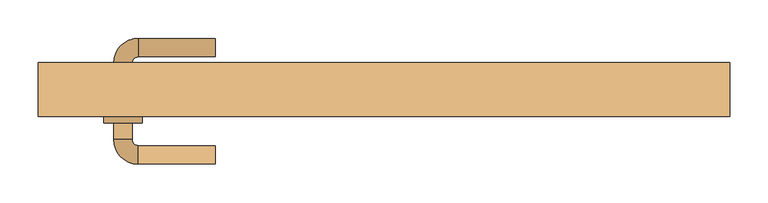
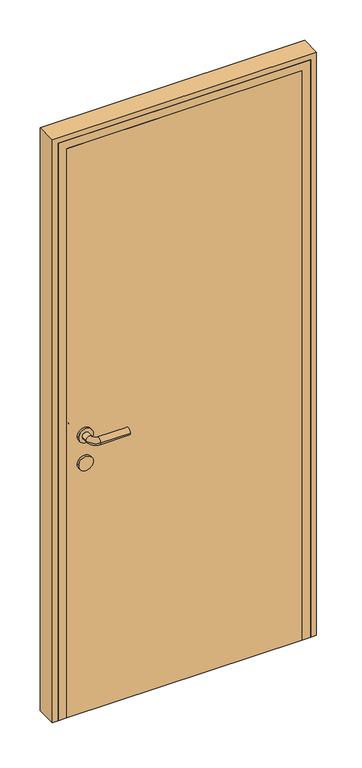
"""IFC4 building model written with IfcOpenShell, lengths in millimetres: door geometry."""

from ifc_helpers import new_model, si_unit, point, frame, frame_2d, origin, origin_with_axes, place, context, project, spatial, polyline, circle_curve, ellipse_curve, trimmed, segment, composite_curve, outline, extrude, faceted_brep, source, transform, mapped, element, save
from ifc_brep_helpers import plane_surface, cylinder_surface, revolved_surface, advanced_brep


def door_d9f1b478(model_context):
    return source(origin(), model_context, "Body", "SolidModel", [
        advanced_brep(
        [(-220.0, -112.0, 1000.0), (-220.0, -88.0, 1000.0), (-320.0, -88.0, 1000.0), (-320.0, -112.0, 1000.0), (-328.0, -80.0, 1000.0), (-352.0, -80.0, 1000.0), (-352.0, 20.0, 1000.0), (-352.0, -2.0, 1000.0), (-328.0, -2.0, 1000.0), (-328.0, 20.0, 1000.0), (-328.0, -58.0, 1000.0), (-352.0, -58.0, 1000.0), (-320.0, 28.0, 1000.0), (-320.0, 52.0, 1000.0), (-220.0, 52.0, 1000.0), (-220.0, 28.0, 1000.0), (-365.0, -58.0, 1000.0), (-315.0, -58.0, 1000.0), (-365.0, -2.0, 1000.0), (-315.0, -2.0, 1000.0)],
        [
            (0, 1, circle_curve(frame((-220.0, -100.0, 1000.0), z_axis=(1.0, 0.0, 0.0), x_axis=(0.0, 1.0, 0.0)), 12.0)),
            (1, 0, circle_curve(frame((-220.0, -100.0, 1000.0), z_axis=(1.0, 0.0, 0.0), x_axis=(0.0, 1.0, 0.0)), 12.0)),
            (1, 2),
            (2, 3, circle_curve(frame((-320.0, -100.0, 1000.0), z_axis=(1.0, 0.0, 0.0), x_axis=(0.0, 1.0, 0.0)), 12.0)),
            (3, 0),
            (3, 2, circle_curve(frame((-320.0, -100.0, 1000.0), z_axis=(1.0, 0.0, 0.0), x_axis=(0.0, 1.0, 0.0)), 12.0)),
            (2, 4, circle_curve(frame((-320.0, -80.0, 1000.0), z_axis=(0.0, 0.0, -1.0), x_axis=(0.0, -1.0, 0.0)), 8.0)),
            (4, 5, circle_curve(frame((-340.0, -80.0, 1000.0), z_axis=(0.0, -1.0, 0.0), x_axis=(1.0, 0.0, 0.0)), 12.0)),
            (5, 3, circle_curve(frame((-320.0, -80.0, 1000.0), z_axis=(0.0, 0.0, 1.0), x_axis=(0.0, -1.0, 0.0)), 32.0)),
            (5, 4, circle_curve(frame((-340.0, -80.0, 1000.0), z_axis=(0.0, -1.0, 0.0), x_axis=(1.0, 0.0, 0.0)), 12.0)),
            (6, 7),
            (7, 8, circle_curve(frame((-340.0, -2.0, 1000.0), z_axis=(0.0, 1.0, 0.0), x_axis=(1.0, 0.0, 0.0)), 12.0)),
            (8, 9),
            (9, 6, circle_curve(frame((-340.0, 20.0, 1000.0), z_axis=(0.0, -1.0, 0.0), x_axis=(1.0, 0.0, 0.0)), 12.0)),
            (4, 10),
            (10, 11, circle_curve(frame((-340.0, -58.0, 1000.0), z_axis=(0.0, -1.0, 0.0), x_axis=(1.0, 0.0, 0.0)), 12.0)),
            (11, 5),
            (11, 10, circle_curve(frame((-340.0, -58.0, 1000.0), z_axis=(0.0, -1.0, 0.0), x_axis=(1.0, 0.0, 0.0)), 12.0)),
            (8, 7, circle_curve(frame((-340.0, -2.0, 1000.0), z_axis=(0.0, 1.0, 0.0), x_axis=(1.0, 0.0, 0.0)), 12.0)),
            (6, 9, circle_curve(frame((-340.0, 20.0, 1000.0), z_axis=(0.0, -1.0, 0.0), x_axis=(1.0, 0.0, 0.0)), 12.0)),
            (9, 12, circle_curve(frame((-320.0, 20.0, 1000.0), z_axis=(0.0, 0.0, -1.0), x_axis=(-1.0, 0.0, 0.0)), 8.0)),
            (12, 13, circle_curve(frame((-320.0, 40.0, 1000.0), z_axis=(-1.0, 0.0, 0.0), x_axis=(0.0, -1.0, 0.0)), 12.0)),
            (13, 6, circle_curve(frame((-320.0, 20.0, 1000.0), z_axis=(0.0, 0.0, 1.0), x_axis=(-1.0, 0.0, 0.0)), 32.0)),
            (13, 12, circle_curve(frame((-320.0, 40.0, 1000.0), z_axis=(-1.0, 0.0, 0.0), x_axis=(0.0, -1.0, 0.0)), 12.0)),
            (14, 15, circle_curve(frame((-220.0, 40.0, 1000.0), z_axis=(1.0, 0.0, 0.0), x_axis=(0.0, -1.0, 0.0)), 12.0)),
            (15, 14, circle_curve(frame((-220.0, 40.0, 1000.0), z_axis=(1.0, 0.0, 0.0), x_axis=(0.0, -1.0, 0.0)), 12.0)),
            (12, 15),
            (14, 13),
            (16, 17, circle_curve(frame((-340.0, -58.0, 1000.0), z_axis=(0.0, -1.0, 0.0), x_axis=(1.0, 0.0, 0.0)), 25.0)),
            (17, 16, circle_curve(frame((-340.0, -58.0, 1000.0), z_axis=(0.0, -1.0, 0.0), x_axis=(1.0, 0.0, 0.0)), 25.0)),
            (18, 19, circle_curve(frame((-340.0, -2.0, 1000.0), z_axis=(0.0, 1.0, 0.0), x_axis=(1.0, 0.0, 0.0)), 25.0)),
            (19, 18, circle_curve(frame((-340.0, -2.0, 1000.0), z_axis=(0.0, 1.0, 0.0), x_axis=(1.0, 0.0, 0.0)), 25.0)),
            (16, 18),
            (19, 17),
        ],
        [
            plane_surface(frame((-220.0, -100.0, 1000.0), z_axis=(1.0, 0.0, 0.0), x_axis=(0.0, 0.0, 1.0))),
            cylinder_surface(frame((-220.0, -100.0, 1000.0), z_axis=(1.0, 0.0, 0.0), x_axis=(0.0, 1.0, 0.0)), 12.0),
            revolved_surface(trimmed(ellipse_curve(frame((-320.0, -100.0, 1000.0), z_axis=(-1.0, 0.0, 0.0), x_axis=(0.0, 1.0, 0.0)), 12.0, 12.0), [point((-320.0, -112.0, 1000.0))], [point((-320.0, -88.0, 1000.0))], True, "CARTESIAN"), (-320.0, -80.0, 1000.0), (0.0, 0.0, 1.0)),
            revolved_surface(trimmed(ellipse_curve(frame((-320.0, -100.0, 1000.0), z_axis=(-1.0, 0.0, 0.0), x_axis=(0.0, 1.0, 0.0)), 12.0, 12.0), [point((-320.0, -88.0, 1000.0))], [point((-320.0, -112.0, 1000.0))], True, "CARTESIAN"), (-320.0, -80.0, 1000.0), (0.0, 0.0, 1.0)),
            cylinder_surface(frame((-340.0, -80.0, 1000.0), z_axis=(0.0, -1.0, 0.0), x_axis=(1.0, 0.0, 0.0)), 12.0),
            revolved_surface(trimmed(ellipse_curve(frame((-340.0, 20.0, 1000.0), z_axis=(0.0, 1.0, 0.0), x_axis=(1.0, 0.0, 0.0)), 12.0, 12.0), [point((-352.0, 20.0, 1000.0))], [point((-328.0, 20.0, 1000.0))], True, "CARTESIAN"), (-320.0, 20.0, 1000.0), (0.0, 0.0, 1.0)),
            revolved_surface(trimmed(ellipse_curve(frame((-340.0, 20.0, 1000.0), z_axis=(0.0, 1.0, 0.0), x_axis=(1.0, 0.0, 0.0)), 12.0, 12.0), [point((-328.0, 20.0, 1000.0))], [point((-352.0, 20.0, 1000.0))], True, "CARTESIAN"), (-320.0, 20.0, 1000.0), (0.0, 0.0, 1.0)),
            plane_surface(frame((-220.0, 40.0, 1000.0), z_axis=(1.0, 0.0, 0.0), x_axis=(0.0, 0.0, 1.0))),
            cylinder_surface(frame((-320.0, 40.0, 1000.0), z_axis=(-1.0, 0.0, 0.0), x_axis=(0.0, -1.0, 0.0)), 12.0),
            plane_surface(frame((-315.0, -58.0, 1000.0), z_axis=(0.0, -1.0, 0.0), x_axis=(0.0, 0.0, -1.0))),
            plane_surface(frame((-315.0, -2.0, 1000.0), z_axis=(0.0, 1.0, 0.0), x_axis=(0.0, 0.0, 1.0))),
            cylinder_surface(frame((-340.0, -58.0, 1000.0), z_axis=(0.0, 1.0, 0.0), x_axis=(1.0, 0.0, 0.0)), 25.0),
        ],
        [
            (0, [[1, 2]]),
            (1, [[3, 4, 5, -2]]),
            (1, [[-5, 6, -3, -1]]),
            (2, [[7, 8, 9, -4]]),
            (3, [[-9, 10, -7, -6]]),
            (4, [[11, 12, 13, 14]]),
            (4, [[15, 16, 17, -8]]),
            (4, [[-17, 18, -15, -10]]),
            (4, [[-13, 19, -11, 20]]),
            (5, [[21, 22, 23, -14]]),
            (6, [[-23, 24, -21, -20]]),
            (7, [[25, 26]]),
            (8, [[27, -25, 28, -22]]),
            (8, [[-28, -26, -27, -24]]),
            (9, [[29, 30], [-18, -16]]),
            (10, [[31, 32], [-19, -12]]),
            (11, [[33, -32, 34, -29]]),
            (11, [[-34, -31, -33, -30]]),
        ],
    ),
        extrude(outline(composite_curve([segment(trimmed(circle_curve(frame_2d((900.0, -340.0)), 25.0), [point((900.0, -365.0))], [point((900.0, -315.0))], False, "CARTESIAN"), True, "CONTINUOUS"), segment(trimmed(circle_curve(frame_2d((900.0, -340.0)), 25.0), [point((900.0, -315.0))], [point((900.0, -365.0))], False, "CARTESIAN"), True, "CONTINUOUS")], self_intersect=False)), frame((0.0, -58.0, 0.0), z_axis=(0.0, 1.0, 0.0), x_axis=(0.0, 0.0, 1.0)), (0.0, 0.0, 1.0), 56.0),
        extrude(outline(polyline([(400.0, -10.0), (400.0, -50.0), (-400.0, -50.0), (-400.0, -10.0), (400.0, -10.0)])), origin_with_axes(), (0.0, 0.0, 1.0), 2050.0),
        extrude(outline(polyline([(0.0, 450.0), (2100.0, 450.0), (2100.0, -450.0), (0.0, -450.0), (0.0, -430.0), (2080.0, -430.0), (2080.0, 430.0), (0.0, 430.0), (0.0, 450.0)])), frame((0.0, -50.0, 0.0), z_axis=(0.0, 1.0, 0.0), x_axis=(0.0, 0.0, 1.0)), (0.0, 0.0, 1.0), 70.0),
        faceted_brep([(-430.0, 20.0, 0.0), (-390.0, 20.0, 0.0), (-390.0, -10.0, 0.0), (-400.0, -10.0, 0.0), (-400.0, -50.0, 0.0), (-430.0, -50.0, 0.0), (-430.0, -50.0, 2080.0), (-430.0, 20.0, 2080.0), (-400.0, -50.0, 2050.0), (400.0, -50.0, 2050.0), (400.0, -50.0, 0.0), (430.0, -50.0, 0.0), (430.0, -50.0, 2080.0), (-400.0, -10.0, 2050.0), (-390.0, -10.0, 2040.0), (390.0, -10.0, 2040.0), (390.0, -10.0, 0.0), (400.0, -10.0, 0.0), (400.0, -10.0, 2050.0), (-390.0, 20.0, 2040.0), (430.0, 20.0, 2080.0), (430.0, 20.0, 0.0), (390.0, 20.0, 0.0), (390.0, 20.0, 2040.0)], [[[0, 1, 2, 3, 4, 5]], [[5, 6, 7, 0]], [[4, 8, 9, 10, 11, 12, 6, 5]], [[3, 13, 8, 4]], [[2, 14, 15, 16, 17, 18, 13, 3]], [[1, 19, 14, 2]], [[0, 7, 20, 21, 22, 23, 19, 1]], [[6, 12, 20, 7]], [[13, 18, 9, 8]], [[19, 23, 15, 14]], [[21, 11, 10, 17, 16, 22]], [[12, 11, 21, 20]], [[18, 17, 10, 9]], [[23, 22, 16, 15]]]),
    ])


if __name__ == "__main__":
    model = new_model("IFC4")
    model_context = context("Model", 3, world=origin())
    ifc_project = project(units=[si_unit("LENGTHUNIT", "METRE", prefix="MILLI")], contexts=[model_context])
    site = spatial("IfcSite", under=ifc_project)
    building = spatial("IfcBuilding", under=site)
    placement = place(None, origin())
    door_shape = door_d9f1b478(model_context)
    element("IfcDoor", 1, at=placement, inside=building, context=model_context, shape_type="MappedRepresentation", body=[
        mapped(door_shape, transform((0.0, 0.0, 0.0), x_axis=(1.0, 0.0, 0.0), y_axis=(0.0, 1.0, 0.0), z_axis=(0.0, 0.0, 1.0))),
    ])
    save(model, "model.ifc")
